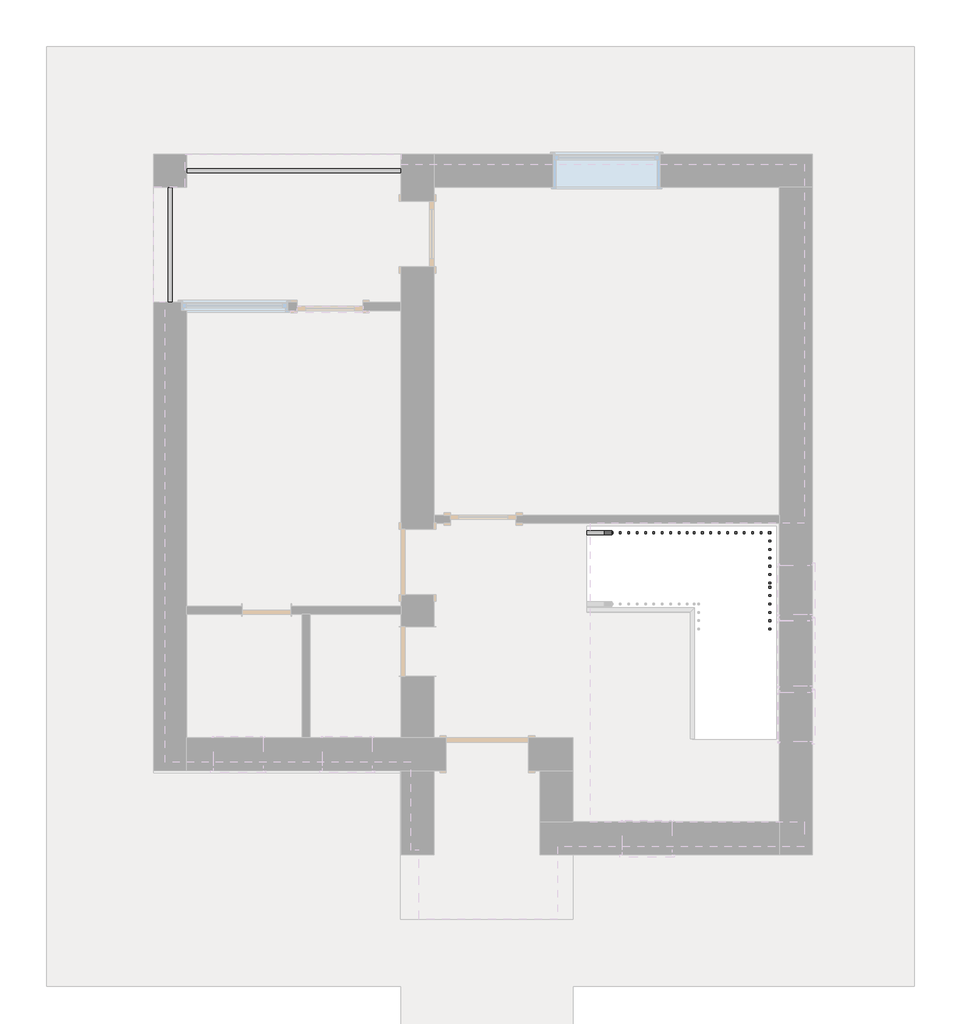
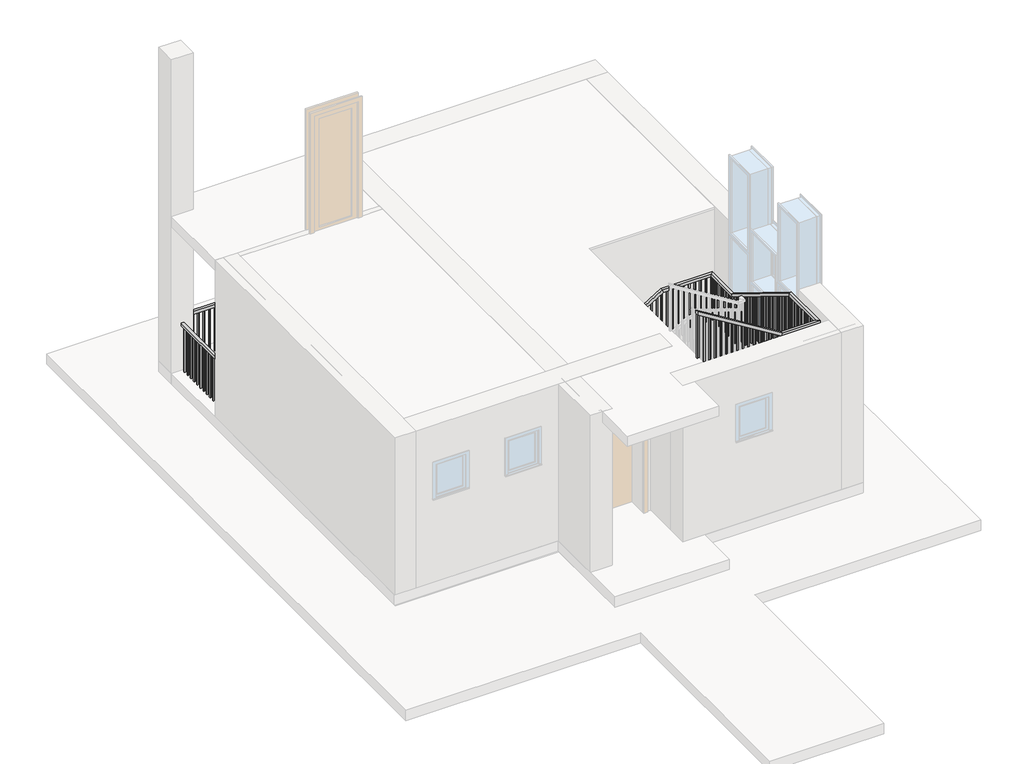
# One storey, part 3 of 3: 2 railings.
"""IFC4 building model written with IfcOpenShell, lengths in millimetres."""

import ifcopenshell
import ifcopenshell.guid

model = None  # the IFC model being written
_history = None  # IfcOwnerHistory: only IFC2X3 demands one
_inside = {}  # id of a spatial element -> (the spatial element, [elements in it])
_under = {}  # id of a project, library or spatial element -> (it, [spatial elements below it])
_declared = {}  # id of a project -> (the project, [libraries it declares])
_typed = {}  # id of a type object -> (the type object, [elements of that type])
_made_of = {}  # id of a material, layer set ... -> (it, [elements and type objects made of it])


def new_model(schema):
    """Start an empty IFC model of exactly this schema.

    Asked for "IFC4X3", IfcOpenShell would pick the latest addendum, in which some entities
    have other attributes; the version numbers below select the first issue.
    IFC2X3 requires an IfcOwnerHistory on every rooted entity: one is made here for all.
    """
    global model, _history
    if schema == "IFC4X3":
        model = ifcopenshell.file(schema_version=(4, 3, 0, 0))
    else:
        model = ifcopenshell.file(schema=schema)
    _inside.clear()
    _under.clear()
    _declared.clear()
    _typed.clear()
    _made_of.clear()
    _history = None
    if model.schema == "IFC2X3":
        org = make("IfcOrganization", Name="unknown")
        user = make(
            "IfcPersonAndOrganization",
            ThePerson=make("IfcPerson", FamilyName="unknown"),
            TheOrganization=org,
        )
        app = make(
            "IfcApplication",
            ApplicationDeveloper=org,
            Version="unknown",
            ApplicationFullName="unknown",
            ApplicationIdentifier="unknown",
        )
        _history = make(
            "IfcOwnerHistory",
            OwningUser=user,
            OwningApplication=app,
            ChangeAction="ADDED",
            CreationDate=0,
        )
    return model


def make(cls, **values):
    """One entity of the class cls with the attributes given. An attribute that is None is left unset."""
    return model.create_entity(
        cls, **{name: value for name, value in values.items() if value is not None}
    )


def rooted(cls, **values):
    """An entity with a GlobalId (a new one), such as an element, a storey or a relation."""
    return make(cls, GlobalId=ifcopenshell.guid.new(), OwnerHistory=_history, **values)


def si_unit(unit_type, name, prefix=None):
    """IfcSIUnit, for example si_unit("LENGTHUNIT", "METRE", prefix="MILLI")."""
    return make("IfcSIUnit", UnitType=unit_type, Prefix=prefix, Name=name)


def assignment(units):
    """IfcUnitAssignment: the units of a project."""
    return None if units is None else make("IfcUnitAssignment", Units=units)


def point(xyz):
    """IfcCartesianPoint."""
    return None if xyz is None else make("IfcCartesianPoint", Coordinates=xyz)


def direction(xyz):
    """IfcDirection."""
    return None if xyz is None else make("IfcDirection", DirectionRatios=xyz)


def frame(location, z_axis=None, x_axis=None):
    """IfcAxis2Placement3D, a coordinate frame: its origin and axes. An axis left out is left unset."""
    return make(
        "IfcAxis2Placement3D",
        Location=point(location),
        Axis=direction(z_axis),
        RefDirection=direction(x_axis),
    )


def origin():
    """The frame at (0, 0, 0) with its axes left unset."""
    return frame((0.0, 0.0, 0.0))


def origin_with_axes():
    """The frame at (0, 0, 0) with the z axis (0, 0, 1) and the x axis (1, 0, 0) written out."""
    return frame((0.0, 0.0, 0.0), z_axis=(0.0, 0.0, 1.0), x_axis=(1.0, 0.0, 0.0))


def place(relative_to, where):
    """IfcLocalPlacement: puts the frame where relative to a parent placement (None: the world)."""
    return make(
        "IfcLocalPlacement", PlacementRelTo=relative_to, RelativePlacement=where
    )


def context(
    kind, dimensions, precision=None, world=None, true_north=None, identifier=None
):
    """IfcGeometricRepresentationContext, for example the 3D "Model" context."""
    return make(
        "IfcGeometricRepresentationContext",
        ContextIdentifier=identifier,
        ContextType=kind,
        CoordinateSpaceDimension=dimensions,
        Precision=precision,
        WorldCoordinateSystem=world,
        TrueNorth=true_north,
    )


def project(units=None, contexts=None):
    """IfcProject with its units and contexts."""
    return rooted(
        "IfcProject",
        Name="project",
        RepresentationContexts=contexts,
        UnitsInContext=assignment(units),
    )


def spatial(cls, under=None, at=None, **own):
    """A site, building, storey or space (cls), placed at a placement, below another one or the project."""
    s = rooted(cls, ObjectPlacement=at, **own)
    if under is not None:
        _under.setdefault(under.id(), (under, []))[1].append(s)
    return s


def polyline(points):
    """IfcPolyline through the points."""
    return make("IfcPolyline", Points=[point(p) for p in points])


def outline(outer, holes=None, kind="AREA"):
    """IfcArbitraryClosedProfileDef: a profile drawn as a closed curve; with holes, ...WithVoids."""
    if holes is None:
        return make("IfcArbitraryClosedProfileDef", ProfileType=kind, OuterCurve=outer)
    return make(
        "IfcArbitraryProfileDefWithVoids",
        ProfileType=kind,
        OuterCurve=outer,
        InnerCurves=holes,
    )


def extrude(swept, where, along, depth):
    """IfcExtrudedAreaSolid: the profile swept, set in the frame where, extruded along a direction by depth."""
    return make(
        "IfcExtrudedAreaSolid",
        SweptArea=swept,
        Position=where,
        ExtrudedDirection=direction(along),
        Depth=depth,
    )


def faces_of(points, faces, orient=None, outer=None):
    """IfcFace entities. A face is a list of loops; a loop is a list of indices into points, from 0.

    orient and outer hold one flag for each loop. By default every Orientation is true, the
    first loop of a face is its IfcFaceOuterBound and the others are IfcFaceBound.
    """
    made = []
    for i, loops in enumerate(faces):
        bounds = []
        for j, loop in enumerate(loops):
            is_outer = j == 0 if outer is None else outer[i][j]
            bounds.append(
                make(
                    "IfcFaceOuterBound" if is_outer else "IfcFaceBound",
                    Bound=make("IfcPolyLoop", Polygon=[points[k] for k in loop]),
                    Orientation=True if orient is None else orient[i][j],
                )
            )
        made.append(make("IfcFace", Bounds=bounds))
    return made


def faceted_brep(points, faces, orient=None, outer=None, voids=None):
    """IfcFacetedBrep: a solid bounded by flat faces; with voids (closed shells), ...WithVoids."""
    shared = [point(p) for p in points]
    hull = make("IfcClosedShell", CfsFaces=faces_of(shared, faces, orient, outer))
    if voids is None:
        return make("IfcFacetedBrep", Outer=hull)
    return make(
        "IfcFacetedBrepWithVoids",
        Outer=hull,
        Voids=[
            make(cls, CfsFaces=faces_of(shared, fs, o, b)) for cls, fs, o, b in voids
        ],
    )


def shape(context_of_items, identifier, shape_type, items):
    """IfcShapeRepresentation: the items that make up one representation, for example the "Body"."""
    return make(
        "IfcShapeRepresentation",
        ContextOfItems=context_of_items,
        RepresentationIdentifier=identifier,
        RepresentationType=shape_type,
        Items=items,
    )


def made_of(thing, what):
    """Note that an element or type object is made of a material, layer set ...; save() writes the relation."""
    if what is not None:
        _made_of.setdefault(what.id(), (what, []))[1].append(thing)
    return thing


def element(
    cls,
    number,
    at=None,
    inside=None,
    cuts=None,
    type_object=None,
    material=None,
    context=None,
    identifier="Body",
    shape_type=None,
    held_by="IfcProductDefinitionShape",
    body=None,
    shapes=None,
    **own,
):
    """One element of the class cls, such as IfcWall. Its Tag is "e" and its number.

    at: its placement. inside: the storey or other place that contains it. cuts: it is an
    opening in that element (IfcRelVoidsElement). A single representation is given by context,
    identifier, shape_type and body (its items); several are given by shapes. held_by: the class
    of the entity that holds the representations. save() writes the other relations.
    """
    e = rooted(cls, Tag="e%d" % number, ObjectPlacement=at, **own)
    if body is not None:
        shapes = [shape(context, identifier, shape_type, body)]
    if shapes is not None:
        e.Representation = make(held_by, Representations=shapes)
    if inside is not None:
        _inside.setdefault(inside.id(), (inside, []))[1].append(e)
    if cuts is not None:
        rooted(
            "IfcRelVoidsElement", RelatingBuildingElement=cuts, RelatedOpeningElement=e
        )
    if type_object is not None:
        _typed.setdefault(type_object.id(), (type_object, []))[1].append(e)
    return made_of(e, material)


def aggregate(whole, parts):
    """IfcRelAggregates: a whole, such as a stair, and the parts it consists of."""
    return rooted("IfcRelAggregates", RelatingObject=whole, RelatedObjects=parts)


def save(model, path):
    """Write the relations noted so far, then the file.

    IfcRelAggregates (storeys below a building ...), IfcRelContainedInSpatialStructure (elements
    in a storey), IfcRelDefinesByType, IfcRelAssociatesMaterial and IfcRelDeclares: one each for
    every whole, place, type object, material and project.
    """
    for whole, parts in _under.values():
        aggregate(whole, parts)
    for where, things in _inside.values():
        rooted(
            "IfcRelContainedInSpatialStructure",
            RelatedElements=things,
            RelatingStructure=where,
        )
    for kind, things in _typed.values():
        rooted("IfcRelDefinesByType", RelatedObjects=things, RelatingType=kind)
    for what, things in _made_of.values():
        rooted("IfcRelAssociatesMaterial", RelatedObjects=things, RelatingMaterial=what)
    for by, libraries in _declared.values():
        rooted("IfcRelDeclares", RelatingContext=by, RelatedDefinitions=libraries)
    model.write(path)


model = new_model("IFC4")

# Units and contexts
model_context = context("Model", 3, world=origin())
ifc_project = project(units=[si_unit("LENGTHUNIT", "METRE", prefix="MILLI")], contexts=[model_context])

# Site, building, storey
site = spatial("IfcSite", under=ifc_project)
building = spatial("IfcBuilding", under=site)
storey = spatial("IfcBuildingStorey", under=building, Elevation=0.0)

# Railings
placement = place(None, origin())
element("IfcRailing", 1, ObjectType="Handrail - Rectangular", at=placement, inside=storey, context=model_context, shape_type="SolidModel", body=[
    faceted_brep([(-5711.5339318, 6698.8347136, 1074.4), (-5711.5339318, 6698.8347136, 1014.7516657), (-5711.5339318, 6648.0347136, 1014.7516657), (-5711.5339318, 6648.0347136, 1074.4), (-4411.5339318, 6698.8347136, 1874.4), (-4397.1553886, 6698.8347136, 1823.6), (-4397.1553886, 6648.0347136, 1823.6), (-4411.5339318, 6648.0347136, 1874.4), (-3465.3839318, 6698.8347136, 1874.4), (-3465.3839318, 6698.8347136, 1823.6), (-3516.1839318, 6648.0347136, 1823.6), (-3516.1839318, 6648.0347136, 1874.4), (-3465.3839318, 6012.6847136, 1874.4), (-3465.3839318, 5998.3061703, 1823.6), (-3516.1839318, 5998.3061703, 1823.6), (-3516.1839318, 6012.6847136, 1874.4), (-3465.3839318, 4192.6847136, 2994.4), (-3465.3839318, 4178.3061703, 2943.6), (-3516.1839318, 4178.3061703, 2943.6), (-3516.1839318, 4192.6847136, 2994.4), (-3465.3839318, 3278.2847136, 2994.4), (-3465.3839318, 3278.2847136, 2943.6), (-3516.1839318, 3329.0847136, 2943.6), (-3516.1839318, 3329.0847136, 2994.4), (-4151.5339318, 3278.2847136, 2994.4), (-4165.9124751, 3278.2847136, 2943.6), (-4165.9124751, 3329.0847136, 2943.6), (-4151.5339318, 3329.0847136, 2994.4), (-5711.5339318, 3278.2847136, 3954.4), (-5711.5339318, 3329.0847136, 3954.4), (-5711.5339318, 3329.0847136, 3894.7516657), (-5711.5339318, 3278.2847136, 3894.7516657)], [[[0, 1, 2, 3]], [[1, 0, 4, 5]], [[2, 1, 5, 6]], [[3, 2, 6, 7]], [[0, 3, 7, 4]], [[5, 4, 8, 9]], [[6, 5, 9, 10]], [[7, 6, 10, 11]], [[4, 7, 11, 8]], [[9, 8, 12, 13]], [[10, 9, 13, 14]], [[11, 10, 14, 15]], [[8, 11, 15, 12]], [[13, 12, 16, 17]], [[14, 13, 17, 18]], [[15, 14, 18, 19]], [[12, 15, 19, 16]], [[17, 16, 20, 21]], [[18, 17, 21, 22]], [[19, 18, 22, 23]], [[16, 19, 23, 20]], [[21, 20, 24, 25]], [[22, 21, 25, 26]], [[23, 22, 26, 27]], [[20, 23, 27, 24]], [[28, 29, 30, 31]], [[25, 24, 28, 31]], [[26, 25, 31, 30]], [[27, 26, 30, 29]], [[24, 27, 29, 28]]]),
    extrude(outline(polyline([(3878.459358, -5685.0589318), (2880.0, -5685.0589318), (2880.0, -5666.0089318), (3866.7362811, -5666.0089318), (3878.459358, -5685.0589318)])), frame((0.0, 3294.1597136, 0.0), z_axis=(0.0, 1.0, 0.0), x_axis=(0.0, 0.0, 1.0)), (0.0, 0.0, 1.0), 19.05),
    extrude(outline(polyline([(3815.9362811, -5583.4589318), (2880.0, -5583.4589318), (2880.0, -5564.4089318), (3804.2132041, -5564.4089318), (3815.9362811, -5583.4589318)])), frame((0.0, 3294.1597136, 0.0), z_axis=(0.0, 1.0, 0.0), x_axis=(0.0, 0.0, 1.0)), (0.0, 0.0, 1.0), 19.05),
    extrude(outline(polyline([(3753.4132041, -5481.8589318), (2880.0, -5481.8589318), (2880.0, -5462.8089318), (3741.6901272, -5462.8089318), (3753.4132041, -5481.8589318)])), frame((0.0, 3294.1597136, 0.0), z_axis=(0.0, 1.0, 0.0), x_axis=(0.0, 0.0, 1.0)), (0.0, 0.0, 1.0), 19.05),
    extrude(outline(polyline([(3690.8901272, -5380.2589318), (2720.0, -5380.2589318), (2720.0, -5361.2089318), (3679.1670503, -5361.2089318), (3690.8901272, -5380.2589318)])), frame((0.0, 3294.1597136, 0.0), z_axis=(0.0, 1.0, 0.0), x_axis=(0.0, 0.0, 1.0)), (0.0, 0.0, 1.0), 19.05),
    extrude(outline(polyline([(3628.3670503, -5278.6589318), (2720.0, -5278.6589318), (2720.0, -5259.6089318), (3616.6439734, -5259.6089318), (3628.3670503, -5278.6589318)])), frame((0.0, 3294.1597136, 0.0), z_axis=(0.0, 1.0, 0.0), x_axis=(0.0, 0.0, 1.0)), (0.0, 0.0, 1.0), 19.05),
    extrude(outline(polyline([(3565.8439734, -5177.0589318), (2560.0, -5177.0589318), (2560.0, -5158.0089318), (3554.1208965, -5158.0089318), (3565.8439734, -5177.0589318)])), frame((0.0, 3294.1597136, 0.0), z_axis=(0.0, 1.0, 0.0), x_axis=(0.0, 0.0, 1.0)), (0.0, 0.0, 1.0), 19.05),
    extrude(outline(polyline([(3503.3208965, -5075.4589318), (2560.0, -5075.4589318), (2560.0, -5056.4089318), (3491.5978195, -5056.4089318), (3503.3208965, -5075.4589318)])), frame((0.0, 3294.1597136, 0.0), z_axis=(0.0, 1.0, 0.0), x_axis=(0.0, 0.0, 1.0)), (0.0, 0.0, 1.0), 19.05),
    extrude(outline(polyline([(3440.7978195, -4973.8589318), (2560.0, -4973.8589318), (2560.0, -4954.8089318), (3429.0747426, -4954.8089318), (3440.7978195, -4973.8589318)])), frame((0.0, 3294.1597136, 0.0), z_axis=(0.0, 1.0, 0.0), x_axis=(0.0, 0.0, 1.0)), (0.0, 0.0, 1.0), 19.05),
    extrude(outline(polyline([(3378.2747426, -4872.2589318), (2400.0, -4872.2589318), (2400.0, -4853.2089318), (3366.5516657, -4853.2089318), (3378.2747426, -4872.2589318)])), frame((0.0, 3294.1597136, 0.0), z_axis=(0.0, 1.0, 0.0), x_axis=(0.0, 0.0, 1.0)), (0.0, 0.0, 1.0), 19.05),
    extrude(outline(polyline([(3315.7516657, -4770.6589318), (2400.0, -4770.6589318), (2400.0, -4751.6089318), (3304.0285888, -4751.6089318), (3315.7516657, -4770.6589318)])), frame((0.0, 3294.1597136, 0.0), z_axis=(0.0, 1.0, 0.0), x_axis=(0.0, 0.0, 1.0)), (0.0, 0.0, 1.0), 19.05),
    extrude(outline(polyline([(3253.2285888, -4669.0589318), (2240.0, -4669.0589318), (2240.0, -4650.0089318), (3241.5055118, -4650.0089318), (3253.2285888, -4669.0589318)])), frame((0.0, 3294.1597136, 0.0), z_axis=(0.0, 1.0, 0.0), x_axis=(0.0, 0.0, 1.0)), (0.0, 0.0, 1.0), 19.05),
    extrude(outline(polyline([(3190.7055118, -4567.4589318), (2240.0, -4567.4589318), (2240.0, -4548.4089318), (3178.9824349, -4548.4089318), (3190.7055118, -4567.4589318)])), frame((0.0, 3294.1597136, 0.0), z_axis=(0.0, 1.0, 0.0), x_axis=(0.0, 0.0, 1.0)), (0.0, 0.0, 1.0), 19.05),
    extrude(outline(polyline([(3128.1824349, -4465.8589318), (2240.0, -4465.8589318), (2240.0, -4446.8089318), (3116.459358, -4446.8089318), (3128.1824349, -4465.8589318)])), frame((0.0, 3294.1597136, 0.0), z_axis=(0.0, 1.0, 0.0), x_axis=(0.0, 0.0, 1.0)), (0.0, 0.0, 1.0), 19.05),
    extrude(outline(polyline([(3065.659358, -4364.2589318), (2080.0, -4364.2589318), (2080.0, -4345.2089318), (3053.9362811, -4345.2089318), (3065.659358, -4364.2589318)])), frame((0.0, 3294.1597136, 0.0), z_axis=(0.0, 1.0, 0.0), x_axis=(0.0, 0.0, 1.0)), (0.0, 0.0, 1.0), 19.05),
    extrude(outline(polyline([(3003.1362811, -4262.6589318), (2080.0, -4262.6589318), (2080.0, -4243.6089318), (2991.4132041, -4243.6089318), (3003.1362811, -4262.6589318)])), frame((0.0, 3294.1597136, 0.0), z_axis=(0.0, 1.0, 0.0), x_axis=(0.0, 0.0, 1.0)), (0.0, 0.0, 1.0), 19.05),
    extrude(outline(polyline([(-4090.8589318, 3294.1597136), (-4109.9089318, 3294.1597136), (-4109.9089318, 3313.2097136), (-4090.8589318, 3313.2097136), (-4090.8589318, 3294.1597136)])), frame((0.0, 0.0, 2080.0), z_axis=(0.0, 0.0, 1.0), x_axis=(1.0, 0.0, 0.0)), (0.0, 0.0, 1.0), 863.6),
    extrude(outline(polyline([(-3989.2589318, 3294.1597136), (-4008.3089318, 3294.1597136), (-4008.3089318, 3313.2097136), (-3989.2589318, 3313.2097136), (-3989.2589318, 3294.1597136)])), frame((0.0, 0.0, 2080.0), z_axis=(0.0, 0.0, 1.0), x_axis=(1.0, 0.0, 0.0)), (0.0, 0.0, 1.0), 863.6),
    extrude(outline(polyline([(-3887.6589318, 3294.1597136), (-3906.7089318, 3294.1597136), (-3906.7089318, 3313.2097136), (-3887.6589318, 3313.2097136), (-3887.6589318, 3294.1597136)])), frame((0.0, 0.0, 2080.0), z_axis=(0.0, 0.0, 1.0), x_axis=(1.0, 0.0, 0.0)), (0.0, 0.0, 1.0), 863.6),
    extrude(outline(polyline([(-3786.0589318, 3294.1597136), (-3805.1089318, 3294.1597136), (-3805.1089318, 3313.2097136), (-3786.0589318, 3313.2097136), (-3786.0589318, 3294.1597136)])), frame((0.0, 0.0, 2080.0), z_axis=(0.0, 0.0, 1.0), x_axis=(1.0, 0.0, 0.0)), (0.0, 0.0, 1.0), 863.6),
    extrude(outline(polyline([(-3684.4589318, 3294.1597136), (-3703.5089318, 3294.1597136), (-3703.5089318, 3313.2097136), (-3684.4589318, 3313.2097136), (-3684.4589318, 3294.1597136)])), frame((0.0, 0.0, 2080.0), z_axis=(0.0, 0.0, 1.0), x_axis=(1.0, 0.0, 0.0)), (0.0, 0.0, 1.0), 863.6),
    extrude(outline(polyline([(-3582.8589318, 3294.1597136), (-3601.9089318, 3294.1597136), (-3601.9089318, 3313.2097136), (-3582.8589318, 3313.2097136), (-3582.8589318, 3294.1597136)])), frame((0.0, 0.0, 2080.0), z_axis=(0.0, 0.0, 1.0), x_axis=(1.0, 0.0, 0.0)), (0.0, 0.0, 1.0), 863.6),
    extrude(outline(polyline([(-3481.2589318, 3389.4097136), (-3481.2589318, 3370.3597136), (-3500.3089318, 3370.3597136), (-3500.3089318, 3389.4097136), (-3481.2589318, 3389.4097136)])), frame((0.0, 0.0, 2080.0), z_axis=(0.0, 0.0, 1.0), x_axis=(1.0, 0.0, 0.0)), (0.0, 0.0, 1.0), 863.6),
    extrude(outline(polyline([(-3481.2589318, 3491.0097136), (-3481.2589318, 3471.9597136), (-3500.3089318, 3471.9597136), (-3500.3089318, 3491.0097136), (-3481.2589318, 3491.0097136)])), frame((0.0, 0.0, 2080.0), z_axis=(0.0, 0.0, 1.0), x_axis=(1.0, 0.0, 0.0)), (0.0, 0.0, 1.0), 863.6),
    extrude(outline(polyline([(-3481.2589318, 3592.6097136), (-3481.2589318, 3573.5597136), (-3500.3089318, 3573.5597136), (-3500.3089318, 3592.6097136), (-3481.2589318, 3592.6097136)])), frame((0.0, 0.0, 2080.0), z_axis=(0.0, 0.0, 1.0), x_axis=(1.0, 0.0, 0.0)), (0.0, 0.0, 1.0), 863.6),
    extrude(outline(polyline([(-3481.2589318, 3694.2097136), (-3481.2589318, 3675.1597136), (-3500.3089318, 3675.1597136), (-3500.3089318, 3694.2097136), (-3481.2589318, 3694.2097136)])), frame((0.0, 0.0, 2080.0), z_axis=(0.0, 0.0, 1.0), x_axis=(1.0, 0.0, 0.0)), (0.0, 0.0, 1.0), 863.6),
    extrude(outline(polyline([(-3481.2589318, 3795.8097136), (-3481.2589318, 3776.7597136), (-3500.3089318, 3776.7597136), (-3500.3089318, 3795.8097136), (-3481.2589318, 3795.8097136)])), frame((0.0, 0.0, 2080.0), z_axis=(0.0, 0.0, 1.0), x_axis=(1.0, 0.0, 0.0)), (0.0, 0.0, 1.0), 863.6),
    extrude(outline(polyline([(-3481.2589318, 3897.4097136), (-3481.2589318, 3878.3597136), (-3500.3089318, 3878.3597136), (-3500.3089318, 3897.4097136), (-3481.2589318, 3897.4097136)])), frame((0.0, 0.0, 2080.0), z_axis=(0.0, 0.0, 1.0), x_axis=(1.0, 0.0, 0.0)), (0.0, 0.0, 1.0), 863.6),
    extrude(outline(polyline([(-3481.2589318, 3999.0097136), (-3481.2589318, 3979.9597136), (-3500.3089318, 3979.9597136), (-3500.3089318, 3999.0097136), (-3481.2589318, 3999.0097136)])), frame((0.0, 0.0, 2080.0), z_axis=(0.0, 0.0, 1.0), x_axis=(1.0, 0.0, 0.0)), (0.0, 0.0, 1.0), 863.6),
    extrude(outline(polyline([(-3481.2589318, 4100.6097136), (-3481.2589318, 4081.5597136), (-3500.3089318, 4081.5597136), (-3500.3089318, 4100.6097136), (-3481.2589318, 4100.6097136)])), frame((0.0, 0.0, 2080.0), z_axis=(0.0, 0.0, 1.0), x_axis=(1.0, 0.0, 0.0)), (0.0, 0.0, 1.0), 863.6),
    extrude(outline(polyline([(4295.0097136, 2871.7824349), (4295.0097136, 1920.0), (4275.9597136, 1920.0), (4275.9597136, 2883.5055118), (4295.0097136, 2871.7824349)])), frame((-3500.3089318, 0.0, 0.0), z_axis=(1.0, 0.0, 0.0), x_axis=(0.0, 1.0, 0.0)), (0.0, 0.0, 1.0), 19.05),
    extrude(outline(polyline([(4396.6097136, 2809.259358), (4396.6097136, 1920.0), (4377.5597136, 1920.0), (4377.5597136, 2820.9824349), (4396.6097136, 2809.259358)])), frame((-3500.3089318, 0.0, 0.0), z_axis=(1.0, 0.0, 0.0), x_axis=(0.0, 1.0, 0.0)), (0.0, 0.0, 1.0), 19.05),
    extrude(outline(polyline([(4498.2097136, 2746.7362811), (4498.2097136, 1760.0), (4479.1597136, 1760.0), (4479.1597136, 2758.459358), (4498.2097136, 2746.7362811)])), frame((-3500.3089318, 0.0, 0.0), z_axis=(1.0, 0.0, 0.0), x_axis=(0.0, 1.0, 0.0)), (0.0, 0.0, 1.0), 19.05),
    extrude(outline(polyline([(4599.8097136, 2684.2132041), (4599.8097136, 1760.0), (4580.7597136, 1760.0), (4580.7597136, 2695.9362811), (4599.8097136, 2684.2132041)])), frame((-3500.3089318, 0.0, 0.0), z_axis=(1.0, 0.0, 0.0), x_axis=(0.0, 1.0, 0.0)), (0.0, 0.0, 1.0), 19.05),
    extrude(outline(polyline([(4701.4097136, 2621.6901272), (4701.4097136, 1760.0), (4682.3597136, 1760.0), (4682.3597136, 2633.4132041), (4701.4097136, 2621.6901272)])), frame((-3500.3089318, 0.0, 0.0), z_axis=(1.0, 0.0, 0.0), x_axis=(0.0, 1.0, 0.0)), (0.0, 0.0, 1.0), 19.05),
    extrude(outline(polyline([(4803.0097136, 2559.1670503), (4803.0097136, 1600.0), (4783.9597136, 1600.0), (4783.9597136, 2570.8901272), (4803.0097136, 2559.1670503)])), frame((-3500.3089318, 0.0, 0.0), z_axis=(1.0, 0.0, 0.0), x_axis=(0.0, 1.0, 0.0)), (0.0, 0.0, 1.0), 19.05),
    extrude(outline(polyline([(4904.6097136, 2496.6439734), (4904.6097136, 1600.0), (4885.5597136, 1600.0), (4885.5597136, 2508.3670503), (4904.6097136, 2496.6439734)])), frame((-3500.3089318, 0.0, 0.0), z_axis=(1.0, 0.0, 0.0), x_axis=(0.0, 1.0, 0.0)), (0.0, 0.0, 1.0), 19.05),
    extrude(outline(polyline([(5006.2097136, 2434.1208965), (5006.2097136, 1440.0), (4987.1597136, 1440.0), (4987.1597136, 2445.8439734), (5006.2097136, 2434.1208965)])), frame((-3500.3089318, 0.0, 0.0), z_axis=(1.0, 0.0, 0.0), x_axis=(0.0, 1.0, 0.0)), (0.0, 0.0, 1.0), 19.05),
    extrude(outline(polyline([(5107.8097136, 2371.5978195), (5107.8097136, 1440.0), (5088.7597136, 1440.0), (5088.7597136, 2383.3208965), (5107.8097136, 2371.5978195)])), frame((-3500.3089318, 0.0, 0.0), z_axis=(1.0, 0.0, 0.0), x_axis=(0.0, 1.0, 0.0)), (0.0, 0.0, 1.0), 19.05),
    extrude(outline(polyline([(5209.4097136, 2309.0747426), (5209.4097136, 1440.0), (5190.3597136, 1440.0), (5190.3597136, 2320.7978195), (5209.4097136, 2309.0747426)])), frame((-3500.3089318, 0.0, 0.0), z_axis=(1.0, 0.0, 0.0), x_axis=(0.0, 1.0, 0.0)), (0.0, 0.0, 1.0), 19.05),
    extrude(outline(polyline([(5311.0097136, 2246.5516657), (5311.0097136, 1280.0), (5291.9597136, 1280.0), (5291.9597136, 2258.2747426), (5311.0097136, 2246.5516657)])), frame((-3500.3089318, 0.0, 0.0), z_axis=(1.0, 0.0, 0.0), x_axis=(0.0, 1.0, 0.0)), (0.0, 0.0, 1.0), 19.05),
    extrude(outline(polyline([(5412.6097136, 2184.0285888), (5412.6097136, 1280.0), (5393.5597136, 1280.0), (5393.5597136, 2195.7516657), (5412.6097136, 2184.0285888)])), frame((-3500.3089318, 0.0, 0.0), z_axis=(1.0, 0.0, 0.0), x_axis=(0.0, 1.0, 0.0)), (0.0, 0.0, 1.0), 19.05),
    extrude(outline(polyline([(5514.2097136, 2121.5055118), (5514.2097136, 1120.0), (5495.1597136, 1120.0), (5495.1597136, 2133.2285888), (5514.2097136, 2121.5055118)])), frame((-3500.3089318, 0.0, 0.0), z_axis=(1.0, 0.0, 0.0), x_axis=(0.0, 1.0, 0.0)), (0.0, 0.0, 1.0), 19.05),
    extrude(outline(polyline([(5615.8097136, 2058.9824349), (5615.8097136, 1120.0), (5596.7597136, 1120.0), (5596.7597136, 2070.7055118), (5615.8097136, 2058.9824349)])), frame((-3500.3089318, 0.0, 0.0), z_axis=(1.0, 0.0, 0.0), x_axis=(0.0, 1.0, 0.0)), (0.0, 0.0, 1.0), 19.05),
    extrude(outline(polyline([(5717.4097136, 1996.459358), (5717.4097136, 1120.0), (5698.3597136, 1120.0), (5698.3597136, 2008.1824349), (5717.4097136, 1996.459358)])), frame((-3500.3089318, 0.0, 0.0), z_axis=(1.0, 0.0, 0.0), x_axis=(0.0, 1.0, 0.0)), (0.0, 0.0, 1.0), 19.05),
    extrude(outline(polyline([(5819.0097136, 1933.9362811), (5819.0097136, 960.0), (5799.9597136, 960.0), (5799.9597136, 1945.659358), (5819.0097136, 1933.9362811)])), frame((-3500.3089318, 0.0, 0.0), z_axis=(1.0, 0.0, 0.0), x_axis=(0.0, 1.0, 0.0)), (0.0, 0.0, 1.0), 19.05),
    extrude(outline(polyline([(5920.6097136, 1871.4132041), (5920.6097136, 960.0), (5901.5597136, 960.0), (5901.5597136, 1883.1362811), (5920.6097136, 1871.4132041)])), frame((-3500.3089318, 0.0, 0.0), z_axis=(1.0, 0.0, 0.0), x_axis=(0.0, 1.0, 0.0)), (0.0, 0.0, 1.0), 19.05),
    extrude(outline(polyline([(-3481.2589318, 6073.3597136), (-3481.2589318, 6054.3097136), (-3500.3089318, 6054.3097136), (-3500.3089318, 6073.3597136), (-3481.2589318, 6073.3597136)])), frame((0.0, 0.0, 960.0), z_axis=(0.0, 0.0, 1.0), x_axis=(1.0, 0.0, 0.0)), (0.0, 0.0, 1.0), 863.6),
    extrude(outline(polyline([(-3481.2589318, 6174.9597136), (-3481.2589318, 6155.9097136), (-3500.3089318, 6155.9097136), (-3500.3089318, 6174.9597136), (-3481.2589318, 6174.9597136)])), frame((0.0, 0.0, 960.0), z_axis=(0.0, 0.0, 1.0), x_axis=(1.0, 0.0, 0.0)), (0.0, 0.0, 1.0), 863.6),
    extrude(outline(polyline([(-3481.2589318, 6276.5597136), (-3481.2589318, 6257.5097136), (-3500.3089318, 6257.5097136), (-3500.3089318, 6276.5597136), (-3481.2589318, 6276.5597136)])), frame((0.0, 0.0, 960.0), z_axis=(0.0, 0.0, 1.0), x_axis=(1.0, 0.0, 0.0)), (0.0, 0.0, 1.0), 863.6),
    extrude(outline(polyline([(-3481.2589318, 6378.1597136), (-3481.2589318, 6359.1097136), (-3500.3089318, 6359.1097136), (-3500.3089318, 6378.1597136), (-3481.2589318, 6378.1597136)])), frame((0.0, 0.0, 960.0), z_axis=(0.0, 0.0, 1.0), x_axis=(1.0, 0.0, 0.0)), (0.0, 0.0, 1.0), 863.6),
    extrude(outline(polyline([(-3481.2589318, 6479.7597136), (-3481.2589318, 6460.7097136), (-3500.3089318, 6460.7097136), (-3500.3089318, 6479.7597136), (-3481.2589318, 6479.7597136)])), frame((0.0, 0.0, 960.0), z_axis=(0.0, 0.0, 1.0), x_axis=(1.0, 0.0, 0.0)), (0.0, 0.0, 1.0), 863.6),
    extrude(outline(polyline([(-3481.2589318, 6581.3597136), (-3481.2589318, 6562.3097136), (-3500.3089318, 6562.3097136), (-3500.3089318, 6581.3597136), (-3481.2589318, 6581.3597136)])), frame((0.0, 0.0, 960.0), z_axis=(0.0, 0.0, 1.0), x_axis=(1.0, 0.0, 0.0)), (0.0, 0.0, 1.0), 863.6),
    extrude(outline(polyline([(-3506.6589318, 6682.9597136), (-3487.6089318, 6682.9597136), (-3487.6089318, 6663.9097136), (-3506.6589318, 6663.9097136), (-3506.6589318, 6682.9597136)])), frame((0.0, 0.0, 960.0), z_axis=(0.0, 0.0, 1.0), x_axis=(1.0, 0.0, 0.0)), (0.0, 0.0, 1.0), 863.6),
    extrude(outline(polyline([(-3608.2589318, 6682.9597136), (-3589.2089318, 6682.9597136), (-3589.2089318, 6663.9097136), (-3608.2589318, 6663.9097136), (-3608.2589318, 6682.9597136)])), frame((0.0, 0.0, 960.0), z_axis=(0.0, 0.0, 1.0), x_axis=(1.0, 0.0, 0.0)), (0.0, 0.0, 1.0), 863.6),
    extrude(outline(polyline([(-3709.8589318, 6682.9597136), (-3690.8089318, 6682.9597136), (-3690.8089318, 6663.9097136), (-3709.8589318, 6663.9097136), (-3709.8589318, 6682.9597136)])), frame((0.0, 0.0, 960.0), z_axis=(0.0, 0.0, 1.0), x_axis=(1.0, 0.0, 0.0)), (0.0, 0.0, 1.0), 863.6),
    extrude(outline(polyline([(-3811.4589318, 6682.9597136), (-3792.4089318, 6682.9597136), (-3792.4089318, 6663.9097136), (-3811.4589318, 6663.9097136), (-3811.4589318, 6682.9597136)])), frame((0.0, 0.0, 960.0), z_axis=(0.0, 0.0, 1.0), x_axis=(1.0, 0.0, 0.0)), (0.0, 0.0, 1.0), 863.6),
    extrude(outline(polyline([(-3913.0589318, 6682.9597136), (-3894.0089318, 6682.9597136), (-3894.0089318, 6663.9097136), (-3913.0589318, 6663.9097136), (-3913.0589318, 6682.9597136)])), frame((0.0, 0.0, 960.0), z_axis=(0.0, 0.0, 1.0), x_axis=(1.0, 0.0, 0.0)), (0.0, 0.0, 1.0), 863.6),
    extrude(outline(polyline([(-4014.6589318, 6682.9597136), (-3995.6089318, 6682.9597136), (-3995.6089318, 6663.9097136), (-4014.6589318, 6663.9097136), (-4014.6589318, 6682.9597136)])), frame((0.0, 0.0, 960.0), z_axis=(0.0, 0.0, 1.0), x_axis=(1.0, 0.0, 0.0)), (0.0, 0.0, 1.0), 863.6),
    extrude(outline(polyline([(-4116.2589318, 6682.9597136), (-4097.2089318, 6682.9597136), (-4097.2089318, 6663.9097136), (-4116.2589318, 6663.9097136), (-4116.2589318, 6682.9597136)])), frame((0.0, 0.0, 960.0), z_axis=(0.0, 0.0, 1.0), x_axis=(1.0, 0.0, 0.0)), (0.0, 0.0, 1.0), 863.6),
    extrude(outline(polyline([(-4217.8589318, 6682.9597136), (-4198.8089318, 6682.9597136), (-4198.8089318, 6663.9097136), (-4217.8589318, 6663.9097136), (-4217.8589318, 6682.9597136)])), frame((0.0, 0.0, 960.0), z_axis=(0.0, 0.0, 1.0), x_axis=(1.0, 0.0, 0.0)), (0.0, 0.0, 1.0), 863.6),
    extrude(outline(polyline([(-4319.4589318, 6682.9597136), (-4300.4089318, 6682.9597136), (-4300.4089318, 6663.9097136), (-4319.4589318, 6663.9097136), (-4319.4589318, 6682.9597136)])), frame((0.0, 0.0, 960.0), z_axis=(0.0, 0.0, 1.0), x_axis=(1.0, 0.0, 0.0)), (0.0, 0.0, 1.0), 863.6),
    extrude(outline(polyline([(1759.1670503, -4501.8589318), (800.0, -4501.8589318), (800.0, -4482.8089318), (1770.8901272, -4482.8089318), (1759.1670503, -4501.8589318)])), frame((0.0, 6663.9097136, 0.0), z_axis=(0.0, 1.0, 0.0), x_axis=(0.0, 0.0, 1.0)), (0.0, 0.0, 1.0), 19.05),
    extrude(outline(polyline([(1696.6439734, -4603.4589318), (800.0, -4603.4589318), (800.0, -4584.4089318), (1708.3670503, -4584.4089318), (1696.6439734, -4603.4589318)])), frame((0.0, 6663.9097136, 0.0), z_axis=(0.0, 1.0, 0.0), x_axis=(0.0, 0.0, 1.0)), (0.0, 0.0, 1.0), 19.05),
    extrude(outline(polyline([(1634.1208965, -4705.0589318), (640.0, -4705.0589318), (640.0, -4686.0089318), (1645.8439734, -4686.0089318), (1634.1208965, -4705.0589318)])), frame((0.0, 6663.9097136, 0.0), z_axis=(0.0, 1.0, 0.0), x_axis=(0.0, 0.0, 1.0)), (0.0, 0.0, 1.0), 19.05),
    extrude(outline(polyline([(1571.5978195, -4806.6589318), (640.0, -4806.6589318), (640.0, -4787.6089318), (1583.3208965, -4787.6089318), (1571.5978195, -4806.6589318)])), frame((0.0, 6663.9097136, 0.0), z_axis=(0.0, 1.0, 0.0), x_axis=(0.0, 0.0, 1.0)), (0.0, 0.0, 1.0), 19.05),
    extrude(outline(polyline([(1509.0747426, -4908.2589318), (640.0, -4908.2589318), (640.0, -4889.2089318), (1520.7978195, -4889.2089318), (1509.0747426, -4908.2589318)])), frame((0.0, 6663.9097136, 0.0), z_axis=(0.0, 1.0, 0.0), x_axis=(0.0, 0.0, 1.0)), (0.0, 0.0, 1.0), 19.05),
    extrude(outline(polyline([(1446.5516657, -5009.8589318), (480.0, -5009.8589318), (480.0, -4990.8089318), (1458.2747426, -4990.8089318), (1446.5516657, -5009.8589318)])), frame((0.0, 6663.9097136, 0.0), z_axis=(0.0, 1.0, 0.0), x_axis=(0.0, 0.0, 1.0)), (0.0, 0.0, 1.0), 19.05),
    extrude(outline(polyline([(1384.0285888, -5111.4589318), (480.0, -5111.4589318), (480.0, -5092.4089318), (1395.7516657, -5092.4089318), (1384.0285888, -5111.4589318)])), frame((0.0, 6663.9097136, 0.0), z_axis=(0.0, 1.0, 0.0), x_axis=(0.0, 0.0, 1.0)), (0.0, 0.0, 1.0), 19.05),
    extrude(outline(polyline([(1321.5055118, -5213.0589318), (320.0, -5213.0589318), (320.0, -5194.0089318), (1333.2285888, -5194.0089318), (1321.5055118, -5213.0589318)])), frame((0.0, 6663.9097136, 0.0), z_axis=(0.0, 1.0, 0.0), x_axis=(0.0, 0.0, 1.0)), (0.0, 0.0, 1.0), 19.05),
    extrude(outline(polyline([(1258.9824349, -5314.6589318), (320.0, -5314.6589318), (320.0, -5295.6089318), (1270.7055118, -5295.6089318), (1258.9824349, -5314.6589318)])), frame((0.0, 6663.9097136, 0.0), z_axis=(0.0, 1.0, 0.0), x_axis=(0.0, 0.0, 1.0)), (0.0, 0.0, 1.0), 19.05),
    extrude(outline(polyline([(1196.459358, -5416.2589318), (320.0, -5416.2589318), (320.0, -5397.2089318), (1208.1824349, -5397.2089318), (1196.459358, -5416.2589318)])), frame((0.0, 6663.9097136, 0.0), z_axis=(0.0, 1.0, 0.0), x_axis=(0.0, 0.0, 1.0)), (0.0, 0.0, 1.0), 19.05),
    extrude(outline(polyline([(1133.9362811, -5517.8589318), (160.0, -5517.8589318), (160.0, -5498.8089318), (1145.659358, -5498.8089318), (1133.9362811, -5517.8589318)])), frame((0.0, 6663.9097136, 0.0), z_axis=(0.0, 1.0, 0.0), x_axis=(0.0, 0.0, 1.0)), (0.0, 0.0, 1.0), 19.05),
    extrude(outline(polyline([(1071.4132041, -5619.4589318), (160.0, -5619.4589318), (160.0, -5600.4089318), (1083.1362811, -5600.4089318), (1071.4132041, -5619.4589318)])), frame((0.0, 6663.9097136, 0.0), z_axis=(0.0, 1.0, 0.0), x_axis=(0.0, 0.0, 1.0)), (0.0, 0.0, 1.0), 19.05),
    extrude(outline(polyline([(-4142.0089318, 3294.1597136), (-4161.0589318, 3294.1597136), (-4161.0589318, 3313.2097136), (-4142.0089318, 3313.2097136), (-4142.0089318, 3294.1597136)])), frame((0.0, 0.0, 2080.0), z_axis=(0.0, 0.0, 1.0), x_axis=(1.0, 0.0, 0.0)), (0.0, 0.0, 1.0), 863.6),
    extrude(outline(polyline([(-3481.2589318, 3313.2097136), (-3481.2589318, 3294.1597136), (-3500.3089318, 3294.1597136), (-3500.3089318, 3313.2097136), (-3481.2589318, 3313.2097136)])), frame((0.0, 0.0, 2080.0), z_axis=(0.0, 0.0, 1.0), x_axis=(1.0, 0.0, 0.0)), (0.0, 0.0, 1.0), 863.6),
    extrude(outline(polyline([(4202.2097136, 2928.8901272), (4202.2097136, 2080.0), (4183.1597136, 2080.0), (4183.1597136, 2940.6132041), (4202.2097136, 2928.8901272)])), frame((-3500.3089318, 0.0, 0.0), z_axis=(1.0, 0.0, 0.0), x_axis=(0.0, 1.0, 0.0)), (0.0, 0.0, 1.0), 19.05),
    extrude(outline(polyline([(-3481.2589318, 6022.2097136), (-3481.2589318, 6003.1597136), (-3500.3089318, 6003.1597136), (-3500.3089318, 6022.2097136), (-3481.2589318, 6022.2097136)])), frame((0.0, 0.0, 960.0), z_axis=(0.0, 0.0, 1.0), x_axis=(1.0, 0.0, 0.0)), (0.0, 0.0, 1.0), 863.6),
    extrude(outline(polyline([(-3500.3089318, 6682.9597136), (-3481.2589318, 6682.9597136), (-3481.2589318, 6663.9097136), (-3500.3089318, 6663.9097136), (-3500.3089318, 6682.9597136)])), frame((0.0, 0.0, 960.0), z_axis=(0.0, 0.0, 1.0), x_axis=(1.0, 0.0, 0.0)), (0.0, 0.0, 1.0), 863.6),
    extrude(outline(polyline([(1808.8901272, -4421.0589318), (960.0, -4421.0589318), (960.0, -4402.0089318), (1820.6132041, -4402.0089318), (1808.8901272, -4421.0589318)])), frame((0.0, 6663.9097136, 0.0), z_axis=(0.0, 1.0, 0.0), x_axis=(0.0, 0.0, 1.0)), (0.0, 0.0, 1.0), 19.05),
    extrude(outline(polyline([(3894.7516657, -5711.5339318), (2880.0, -5711.5339318), (2880.0, -5692.4839318), (3883.0285888, -5692.4839318), (3894.7516657, -5711.5339318)])), frame((0.0, 3294.1597136, 0.0), z_axis=(0.0, 1.0, 0.0), x_axis=(0.0, 0.0, 1.0)), (0.0, 0.0, 1.0), 19.05),
    extrude(outline(polyline([(1014.7516657, -5711.5339318), (160.0, -5711.5339318), (160.0, -5692.4839318), (1026.4747426, -5692.4839318), (1014.7516657, -5711.5339318)])), frame((0.0, 6663.9097136, 0.0), z_axis=(0.0, 1.0, 0.0), x_axis=(0.0, 0.0, 1.0)), (0.0, 0.0, 1.0), 19.05),
])
element("IfcRailing", 2, ObjectType="Handrail - Rectangular", at=placement, inside=storey, context=model_context, shape_type="SolidModel", body=[
    faceted_brep([(-10795.0617425, 9368.8920331, 914.4), (-10795.0617425, 9368.8920331, 863.6), (-10744.2617425, 9368.8920331, 863.6), (-10744.2617425, 9368.8920331, 914.4), (-10795.0617425, 11089.5931157, 914.4), (-10795.0617425, 11089.5931157, 863.6), (-10744.2617425, 11038.7931157, 863.6), (-10744.2617425, 11038.7931157, 914.4), (-7969.6617425, 11089.5931157, 914.4), (-7969.6617425, 11038.7931157, 914.4), (-7969.6617425, 11038.7931157, 863.6), (-7969.6617425, 11089.5931157, 863.6)], [[[0, 1, 2, 3]], [[1, 0, 4, 5]], [[2, 1, 5, 6]], [[3, 2, 6, 7]], [[0, 3, 7, 4]], [[8, 9, 10, 11]], [[5, 4, 8, 11]], [[6, 5, 11, 10]], [[7, 6, 10, 9]], [[4, 7, 9, 8]]]),
    extrude(outline(polyline([(-8035.9867425, 11054.6681157), (-8035.9867425, 11073.7181157), (-8016.9367425, 11073.7181157), (-8016.9367425, 11054.6681157), (-8035.9867425, 11054.6681157)])), origin_with_axes(), (0.0, 0.0, 1.0), 863.6),
    extrude(outline(polyline([(-8137.5867425, 11054.6681157), (-8137.5867425, 11073.7181157), (-8118.5367425, 11073.7181157), (-8118.5367425, 11054.6681157), (-8137.5867425, 11054.6681157)])), origin_with_axes(), (0.0, 0.0, 1.0), 863.6),
    extrude(outline(polyline([(-8239.1867425, 11054.6681157), (-8239.1867425, 11073.7181157), (-8220.1367425, 11073.7181157), (-8220.1367425, 11054.6681157), (-8239.1867425, 11054.6681157)])), origin_with_axes(), (0.0, 0.0, 1.0), 863.6),
    extrude(outline(polyline([(-8340.7867425, 11054.6681157), (-8340.7867425, 11073.7181157), (-8321.7367425, 11073.7181157), (-8321.7367425, 11054.6681157), (-8340.7867425, 11054.6681157)])), origin_with_axes(), (0.0, 0.0, 1.0), 863.6),
    extrude(outline(polyline([(-8442.3867425, 11054.6681157), (-8442.3867425, 11073.7181157), (-8423.3367425, 11073.7181157), (-8423.3367425, 11054.6681157), (-8442.3867425, 11054.6681157)])), origin_with_axes(), (0.0, 0.0, 1.0), 863.6),
    extrude(outline(polyline([(-8543.9867425, 11054.6681157), (-8543.9867425, 11073.7181157), (-8524.9367425, 11073.7181157), (-8524.9367425, 11054.6681157), (-8543.9867425, 11054.6681157)])), origin_with_axes(), (0.0, 0.0, 1.0), 863.6),
    extrude(outline(polyline([(-8645.5867425, 11054.6681157), (-8645.5867425, 11073.7181157), (-8626.5367425, 11073.7181157), (-8626.5367425, 11054.6681157), (-8645.5867425, 11054.6681157)])), origin_with_axes(), (0.0, 0.0, 1.0), 863.6),
    extrude(outline(polyline([(-8747.1867425, 11054.6681157), (-8747.1867425, 11073.7181157), (-8728.1367425, 11073.7181157), (-8728.1367425, 11054.6681157), (-8747.1867425, 11054.6681157)])), origin_with_axes(), (0.0, 0.0, 1.0), 863.6),
    extrude(outline(polyline([(-8848.7867425, 11054.6681157), (-8848.7867425, 11073.7181157), (-8829.7367425, 11073.7181157), (-8829.7367425, 11054.6681157), (-8848.7867425, 11054.6681157)])), origin_with_axes(), (0.0, 0.0, 1.0), 863.6),
    extrude(outline(polyline([(-8950.3867425, 11054.6681157), (-8950.3867425, 11073.7181157), (-8931.3367425, 11073.7181157), (-8931.3367425, 11054.6681157), (-8950.3867425, 11054.6681157)])), origin_with_axes(), (0.0, 0.0, 1.0), 863.6),
    extrude(outline(polyline([(-9051.9867425, 11054.6681157), (-9051.9867425, 11073.7181157), (-9032.9367425, 11073.7181157), (-9032.9367425, 11054.6681157), (-9051.9867425, 11054.6681157)])), origin_with_axes(), (0.0, 0.0, 1.0), 863.6),
    extrude(outline(polyline([(-9153.5867425, 11054.6681157), (-9153.5867425, 11073.7181157), (-9134.5367425, 11073.7181157), (-9134.5367425, 11054.6681157), (-9153.5867425, 11054.6681157)])), origin_with_axes(), (0.0, 0.0, 1.0), 863.6),
    extrude(outline(polyline([(-9255.1867425, 11054.6681157), (-9255.1867425, 11073.7181157), (-9236.1367425, 11073.7181157), (-9236.1367425, 11054.6681157), (-9255.1867425, 11054.6681157)])), origin_with_axes(), (0.0, 0.0, 1.0), 863.6),
    extrude(outline(polyline([(-9356.7867425, 11054.6681157), (-9356.7867425, 11073.7181157), (-9337.7367425, 11073.7181157), (-9337.7367425, 11054.6681157), (-9356.7867425, 11054.6681157)])), origin_with_axes(), (0.0, 0.0, 1.0), 863.6),
    extrude(outline(polyline([(-9458.3867425, 11054.6681157), (-9458.3867425, 11073.7181157), (-9439.3367425, 11073.7181157), (-9439.3367425, 11054.6681157), (-9458.3867425, 11054.6681157)])), origin_with_axes(), (0.0, 0.0, 1.0), 863.6),
    extrude(outline(polyline([(-9559.9867425, 11054.6681157), (-9559.9867425, 11073.7181157), (-9540.9367425, 11073.7181157), (-9540.9367425, 11054.6681157), (-9559.9867425, 11054.6681157)])), origin_with_axes(), (0.0, 0.0, 1.0), 863.6),
    extrude(outline(polyline([(-9661.5867425, 11054.6681157), (-9661.5867425, 11073.7181157), (-9642.5367425, 11073.7181157), (-9642.5367425, 11054.6681157), (-9661.5867425, 11054.6681157)])), origin_with_axes(), (0.0, 0.0, 1.0), 863.6),
    extrude(outline(polyline([(-9763.1867425, 11054.6681157), (-9763.1867425, 11073.7181157), (-9744.1367425, 11073.7181157), (-9744.1367425, 11054.6681157), (-9763.1867425, 11054.6681157)])), origin_with_axes(), (0.0, 0.0, 1.0), 863.6),
    extrude(outline(polyline([(-9864.7867425, 11054.6681157), (-9864.7867425, 11073.7181157), (-9845.7367425, 11073.7181157), (-9845.7367425, 11054.6681157), (-9864.7867425, 11054.6681157)])), origin_with_axes(), (0.0, 0.0, 1.0), 863.6),
    extrude(outline(polyline([(-9966.3867425, 11054.6681157), (-9966.3867425, 11073.7181157), (-9947.3367425, 11073.7181157), (-9947.3367425, 11054.6681157), (-9966.3867425, 11054.6681157)])), origin_with_axes(), (0.0, 0.0, 1.0), 863.6),
    extrude(outline(polyline([(-10067.9867425, 11054.6681157), (-10067.9867425, 11073.7181157), (-10048.9367425, 11073.7181157), (-10048.9367425, 11054.6681157), (-10067.9867425, 11054.6681157)])), origin_with_axes(), (0.0, 0.0, 1.0), 863.6),
    extrude(outline(polyline([(-10169.5867425, 11054.6681157), (-10169.5867425, 11073.7181157), (-10150.5367425, 11073.7181157), (-10150.5367425, 11054.6681157), (-10169.5867425, 11054.6681157)])), origin_with_axes(), (0.0, 0.0, 1.0), 863.6),
    extrude(outline(polyline([(-10271.1867425, 11054.6681157), (-10271.1867425, 11073.7181157), (-10252.1367425, 11073.7181157), (-10252.1367425, 11054.6681157), (-10271.1867425, 11054.6681157)])), origin_with_axes(), (0.0, 0.0, 1.0), 863.6),
    extrude(outline(polyline([(-10372.7867425, 11054.6681157), (-10372.7867425, 11073.7181157), (-10353.7367425, 11073.7181157), (-10353.7367425, 11054.6681157), (-10372.7867425, 11054.6681157)])), origin_with_axes(), (0.0, 0.0, 1.0), 863.6),
    extrude(outline(polyline([(-10474.3867425, 11054.6681157), (-10474.3867425, 11073.7181157), (-10455.3367425, 11073.7181157), (-10455.3367425, 11054.6681157), (-10474.3867425, 11054.6681157)])), origin_with_axes(), (0.0, 0.0, 1.0), 863.6),
    extrude(outline(polyline([(-10575.9867425, 11054.6681157), (-10575.9867425, 11073.7181157), (-10556.9367425, 11073.7181157), (-10556.9367425, 11054.6681157), (-10575.9867425, 11054.6681157)])), origin_with_axes(), (0.0, 0.0, 1.0), 863.6),
    extrude(outline(polyline([(-10677.5867425, 11054.6681157), (-10677.5867425, 11073.7181157), (-10658.5367425, 11073.7181157), (-10658.5367425, 11054.6681157), (-10677.5867425, 11054.6681157)])), origin_with_axes(), (0.0, 0.0, 1.0), 863.6),
    extrude(outline(polyline([(-10760.1367425, 10984.9670331), (-10779.1867425, 10984.9670331), (-10779.1867425, 11004.0170331), (-10760.1367425, 11004.0170331), (-10760.1367425, 10984.9670331)])), origin_with_axes(), (0.0, 0.0, 1.0), 863.6),
    extrude(outline(polyline([(-10760.1367425, 10883.3670331), (-10779.1867425, 10883.3670331), (-10779.1867425, 10902.4170331), (-10760.1367425, 10902.4170331), (-10760.1367425, 10883.3670331)])), origin_with_axes(), (0.0, 0.0, 1.0), 863.6),
    extrude(outline(polyline([(-10760.1367425, 10781.7670331), (-10779.1867425, 10781.7670331), (-10779.1867425, 10800.8170331), (-10760.1367425, 10800.8170331), (-10760.1367425, 10781.7670331)])), origin_with_axes(), (0.0, 0.0, 1.0), 863.6),
    extrude(outline(polyline([(-10760.1367425, 10680.1670331), (-10779.1867425, 10680.1670331), (-10779.1867425, 10699.2170331), (-10760.1367425, 10699.2170331), (-10760.1367425, 10680.1670331)])), origin_with_axes(), (0.0, 0.0, 1.0), 863.6),
    extrude(outline(polyline([(-10760.1367425, 10578.5670331), (-10779.1867425, 10578.5670331), (-10779.1867425, 10597.6170331), (-10760.1367425, 10597.6170331), (-10760.1367425, 10578.5670331)])), origin_with_axes(), (0.0, 0.0, 1.0), 863.6),
    extrude(outline(polyline([(-10760.1367425, 10476.9670331), (-10779.1867425, 10476.9670331), (-10779.1867425, 10496.0170331), (-10760.1367425, 10496.0170331), (-10760.1367425, 10476.9670331)])), origin_with_axes(), (0.0, 0.0, 1.0), 863.6),
    extrude(outline(polyline([(-10760.1367425, 10375.3670331), (-10779.1867425, 10375.3670331), (-10779.1867425, 10394.4170331), (-10760.1367425, 10394.4170331), (-10760.1367425, 10375.3670331)])), origin_with_axes(), (0.0, 0.0, 1.0), 863.6),
    extrude(outline(polyline([(-10760.1367425, 10273.7670331), (-10779.1867425, 10273.7670331), (-10779.1867425, 10292.8170331), (-10760.1367425, 10292.8170331), (-10760.1367425, 10273.7670331)])), origin_with_axes(), (0.0, 0.0, 1.0), 863.6),
    extrude(outline(polyline([(-10760.1367425, 10172.1670331), (-10779.1867425, 10172.1670331), (-10779.1867425, 10191.2170331), (-10760.1367425, 10191.2170331), (-10760.1367425, 10172.1670331)])), origin_with_axes(), (0.0, 0.0, 1.0), 863.6),
    extrude(outline(polyline([(-10760.1367425, 10070.5670331), (-10779.1867425, 10070.5670331), (-10779.1867425, 10089.6170331), (-10760.1367425, 10089.6170331), (-10760.1367425, 10070.5670331)])), origin_with_axes(), (0.0, 0.0, 1.0), 863.6),
    extrude(outline(polyline([(-10760.1367425, 9968.9670331), (-10779.1867425, 9968.9670331), (-10779.1867425, 9988.0170331), (-10760.1367425, 9988.0170331), (-10760.1367425, 9968.9670331)])), origin_with_axes(), (0.0, 0.0, 1.0), 863.6),
    extrude(outline(polyline([(-10760.1367425, 9867.3670331), (-10779.1867425, 9867.3670331), (-10779.1867425, 9886.4170331), (-10760.1367425, 9886.4170331), (-10760.1367425, 9867.3670331)])), origin_with_axes(), (0.0, 0.0, 1.0), 863.6),
    extrude(outline(polyline([(-10760.1367425, 9765.7670331), (-10779.1867425, 9765.7670331), (-10779.1867425, 9784.8170331), (-10760.1367425, 9784.8170331), (-10760.1367425, 9765.7670331)])), origin_with_axes(), (0.0, 0.0, 1.0), 863.6),
    extrude(outline(polyline([(-10760.1367425, 9664.1670331), (-10779.1867425, 9664.1670331), (-10779.1867425, 9683.2170331), (-10760.1367425, 9683.2170331), (-10760.1367425, 9664.1670331)])), origin_with_axes(), (0.0, 0.0, 1.0), 863.6),
    extrude(outline(polyline([(-10760.1367425, 9562.5670331), (-10779.1867425, 9562.5670331), (-10779.1867425, 9581.6170331), (-10760.1367425, 9581.6170331), (-10760.1367425, 9562.5670331)])), origin_with_axes(), (0.0, 0.0, 1.0), 863.6),
    extrude(outline(polyline([(-10760.1367425, 9460.9670331), (-10779.1867425, 9460.9670331), (-10779.1867425, 9480.0170331), (-10760.1367425, 9480.0170331), (-10760.1367425, 9460.9670331)])), origin_with_axes(), (0.0, 0.0, 1.0), 863.6),
    extrude(outline(polyline([(-10760.1367425, 11054.6681157), (-10779.1867425, 11054.6681157), (-10779.1867425, 11073.7181157), (-10760.1367425, 11073.7181157), (-10760.1367425, 11054.6681157)])), origin_with_axes(), (0.0, 0.0, 1.0), 863.6),
    extrude(outline(polyline([(-7988.7117425, 11054.6681157), (-7988.7117425, 11073.7181157), (-7969.6617425, 11073.7181157), (-7969.6617425, 11054.6681157), (-7988.7117425, 11054.6681157)])), origin_with_axes(), (0.0, 0.0, 1.0), 863.6),
    extrude(outline(polyline([(-10760.1367425, 9368.8920331), (-10779.1867425, 9368.8920331), (-10779.1867425, 9387.9420331), (-10760.1367425, 9387.9420331), (-10760.1367425, 9368.8920331)])), origin_with_axes(), (0.0, 0.0, 1.0), 863.6),
])

save(model, "model.ifc")
